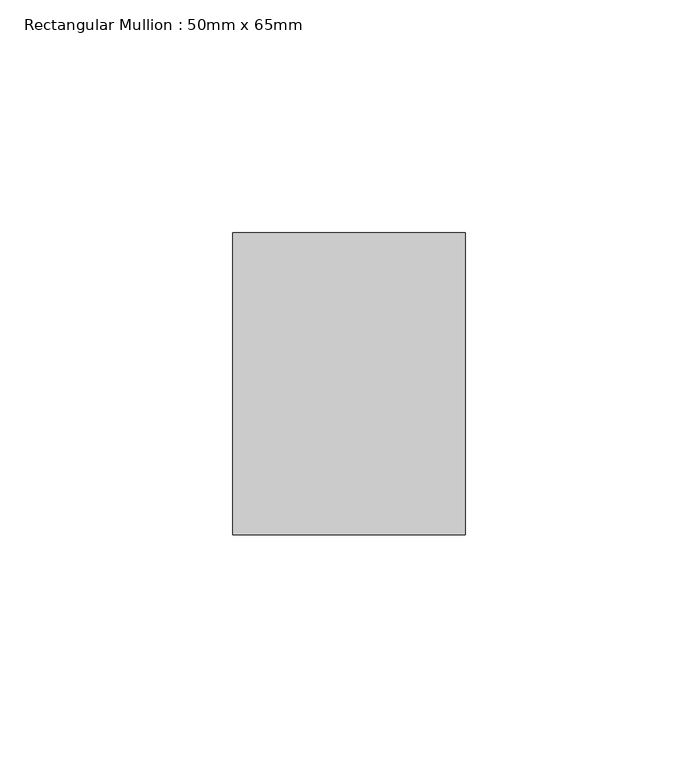
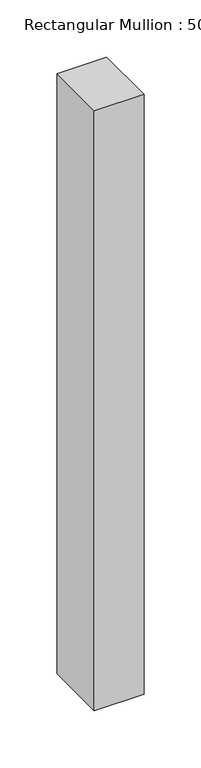
"""IFC4 building model written with IfcOpenShell, lengths in millimetres: member geometry, Rectangular Mullion : 50mm x 65mm."""

from ifc_helpers import new_model, si_unit, frame, origin, place, context, project, spatial, polyline, outline, extrude, source, transform, mapped, element, save


def rectangular_mullion_50mm_x_65mm_2244abc7(model_context):
    return source(origin(), model_context, "Body", "SweptSolid", [
        extrude(outline(polyline([(25.0, 32.5), (25.0, -32.5), (-25.0, -32.5), (-25.0, 32.5), (25.0, 32.5)])), frame((0.0, 0.0, -639.7123398), z_axis=(0.0, 0.0, 1.0), x_axis=(1.0, 0.0, 0.0)), (0.0, 0.0, 1.0), 639.7123398),
    ])


if __name__ == "__main__":
    model = new_model("IFC4")
    model_context = context("Model", 3, world=origin())
    ifc_project = project(units=[si_unit("LENGTHUNIT", "METRE", prefix="MILLI")], contexts=[model_context])
    site = spatial("IfcSite", under=ifc_project)
    building = spatial("IfcBuilding", under=site)
    placement = place(None, origin())
    rectangular_mullion_50mm_x_65mm_shape = rectangular_mullion_50mm_x_65mm_2244abc7(model_context)
    element("IfcMember", 1, ObjectType="Rectangular Mullion : 50mm x 65mm", at=placement, inside=building, context=model_context, shape_type="MappedRepresentation", body=[
        mapped(rectangular_mullion_50mm_x_65mm_shape, transform((0.0, 0.0, 0.0), x_axis=(1.0, 0.0, 0.0), y_axis=(0.0, 1.0, 0.0), z_axis=(0.0, 0.0, 1.0))),
    ])
    save(model, "model.ifc")
